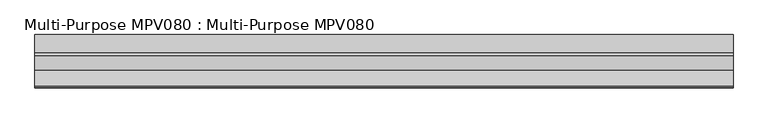
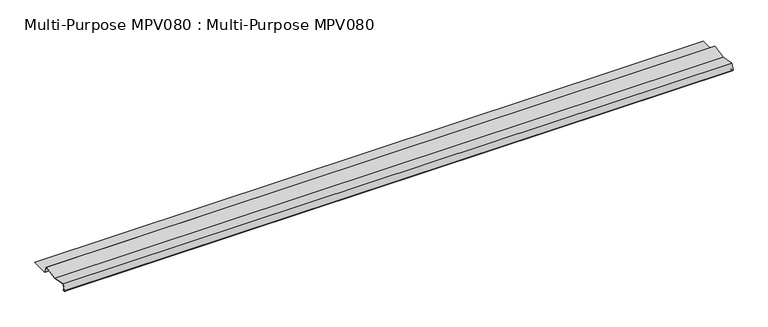
"""IFC4 building model written with IfcOpenShell, lengths in millimetres: proxy geometry, Multi-Purpose MPV080 : Multi-Purpose MPV080."""

from ifc_helpers import new_model, si_unit, point, frame, frame_2d, origin, place, context, project, spatial, polyline, circle_curve, trimmed, segment, composite_curve, outline, extrude, source, transform, mapped, element, save


def multi_purpose_mpv080_multi_purpose_mpv080_c053f4e8(model_context):
    return source(origin(), model_context, "Body", "SweptSolid", [
        extrude(outline(composite_curve([segment(polyline([(-226.18133, 90.4548225), (-226.7156446, 89.8423261), (-227.5967491, 90.6109626)]), True, "CONTINUOUS"), segment(trimmed(circle_curve(frame_2d((-228.8949666, 89.1227879)), 1.97485), [point((-227.5967491, 90.6109626))], [point((-229.9847218, 90.7697445))], True, "CARTESIAN"), True, "CONTINUOUS"), segment(polyline([(-229.9847218, 90.7697445), (-232.7879532, 88.9149077)]), True, "CONTINUOUS"), segment(trimmed(circle_curve(frame_2d((-234.1019666, 90.9007879)), 2.38125), [point((-232.7879532, 88.9149077))], [point((-236.3396097, 91.7152234))], False, "CARTESIAN"), True, "CONTINUOUS"), segment(polyline([(-236.3396097, 91.7152234), (-226.2425241, 119.4567379), (-159.5675241, 106.4964308), (-92.8925241, 119.4567379), (-81.6323042, 88.5195379), (-2.8032166, 88.5195379), (-2.8032166, 87.7067379), (-82.2014329, 87.7067379), (-93.418877, 118.5264123), (-159.5675241, 105.6684179), (-225.7161713, 118.5264123), (-235.5758275, 91.4372294)]), True, "CONTINUOUS"), segment(trimmed(circle_curve(frame_2d((-234.1019666, 90.9007879)), 1.56845), [point((-235.5758275, 91.4372294))], [point((-233.2364698, 89.5927548))], True, "CARTESIAN"), True, "CONTINUOUS"), segment(polyline([(-233.2364698, 89.5927548), (-230.4332384, 91.4475917)]), True, "CONTINUOUS"), segment(trimmed(circle_curve(frame_2d((-228.8949666, 89.1227879)), 2.78765), [point((-230.4332384, 91.4475917))], [point((-227.0624345, 91.2234589))], False, "CARTESIAN"), True, "CONTINUOUS"), segment(polyline([(-227.0624345, 91.2234589), (-226.18133, 90.4548225)]), True, "CONTINUOUS")], self_intersect=False)), frame((-1102.2989423, 0.0, 0.0), z_axis=(1.0, 0.0, 0.0), x_axis=(0.0, 1.0, 0.0)), (0.0, 0.0, 1.0), 3048.0),
    ])


if __name__ == "__main__":
    model = new_model("IFC4")
    model_context = context("Model", 3, world=origin())
    ifc_project = project(units=[si_unit("LENGTHUNIT", "METRE", prefix="MILLI")], contexts=[model_context])
    site = spatial("IfcSite", under=ifc_project)
    building = spatial("IfcBuilding", under=site)
    placement = place(None, origin())
    multi_purpose_mpv080_multi_purpose_mpv080_shape = multi_purpose_mpv080_multi_purpose_mpv080_c053f4e8(model_context)
    element("IfcBuildingElementProxy", 1, Name="Multi-Purpose MPV080 : Multi-Purpose MPV080", ObjectType="Multi-Purpose MPV080 : Multi-Purpose MPV080", at=placement, inside=building, context=model_context, shape_type="MappedRepresentation", body=[
        mapped(multi_purpose_mpv080_multi_purpose_mpv080_shape, transform((0.0, 0.0, 0.0), x_axis=(1.0, 0.0, 0.0), y_axis=(0.0, 1.0, 0.0), z_axis=(0.0, 0.0, 1.0))),
    ])
    save(model, "model.ifc")
